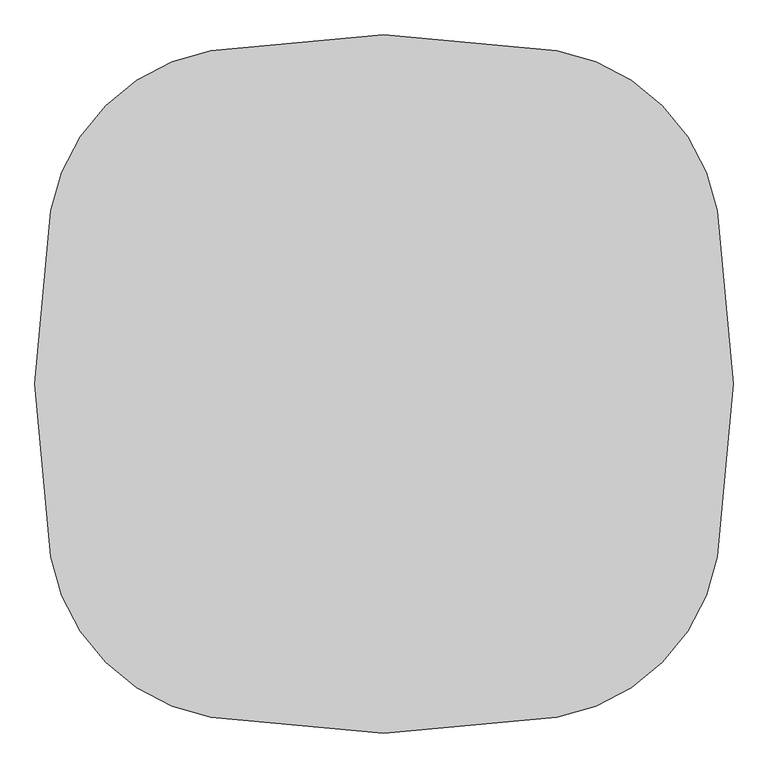
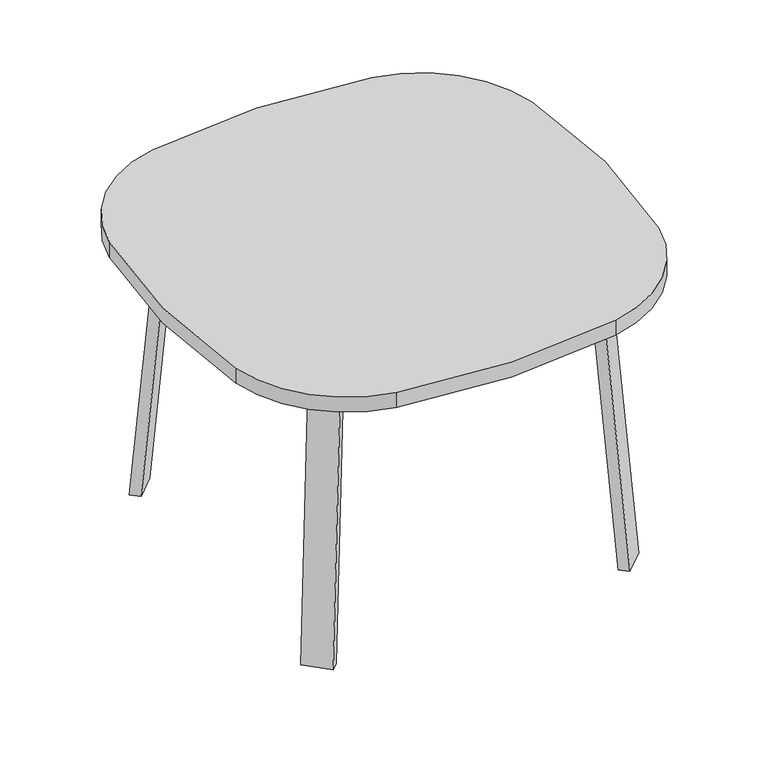
"""IFC4 building model written with IfcOpenShell, lengths in millimetres: furniture geometry."""

from ifc_helpers import new_model, si_unit, point, frame, frame_2d, origin, place, context, project, spatial, polyline, circle_curve, trimmed, segment, composite_curve, outline, extrude, faceted_brep, source, transform, mapped, element, save


def furniture_b9ae15ca(model_context):
    return source(origin(), model_context, "Body", "SolidModel", [
        extrude(outline(composite_curve([segment(trimmed(circle_curve(frame_2d((-939.8, 0.0)), 1473.2), [point((509.4926684, 264.327451))], [point((509.4926684, -264.327451))], False, "CARTESIAN"), True, "CONTINUOUS"), segment(trimmed(circle_curve(frame_2d((209.6390129, -209.6390129)), 304.8), [point((509.4926684, -264.327451))], [point((264.327451, -509.4926684))], False, "CARTESIAN"), True, "CONTINUOUS"), segment(trimmed(circle_curve(frame_2d((0.0, 939.8)), 1473.2), [point((264.327451, -509.4926684))], [point((-264.327451, -509.4926684))], False, "CARTESIAN"), True, "CONTINUOUS"), segment(trimmed(circle_curve(frame_2d((-209.6390129, -209.6390129)), 304.8), [point((-264.327451, -509.4926684))], [point((-509.4926684, -264.327451))], False, "CARTESIAN"), True, "CONTINUOUS"), segment(trimmed(circle_curve(frame_2d((939.8, 0.0)), 1473.2), [point((-509.4926684, -264.327451))], [point((-509.4926684, 264.327451))], False, "CARTESIAN"), True, "CONTINUOUS"), segment(trimmed(circle_curve(frame_2d((-209.6390129, 209.6390129)), 304.8), [point((-509.4926684, 264.327451))], [point((-264.327451, 509.4926684))], False, "CARTESIAN"), True, "CONTINUOUS"), segment(trimmed(circle_curve(frame_2d((0.0, -939.8)), 1473.2), [point((-264.327451, 509.4926684))], [point((264.327451, 509.4926684))], False, "CARTESIAN"), True, "CONTINUOUS"), segment(trimmed(circle_curve(frame_2d((209.6390129, 209.6390129)), 304.8), [point((264.327451, 509.4926684))], [point((509.4926684, 264.327451))], False, "CARTESIAN"), True, "CONTINUOUS")], self_intersect=False)), frame((0.0, 0.0, 698.5), z_axis=(0.0, 0.0, 1.0), x_axis=(1.0, 0.0, 0.0)), (0.0, 0.0, 1.0), 38.1),
        faceted_brep([(176.7573355, -301.7740831, 695.325), (216.2704624, -262.2609562, 695.325), (271.3867843, -317.3772782, 695.325), (264.7451366, -324.0189259, 695.325), (203.6981038, -328.7148515, 695.325), (324.0189259, -264.7451366, 695.325), (318.0841162, -270.6799463, 695.325), (262.9677942, -215.5636244, 695.325), (302.4809212, -176.0504974, 695.325), (329.4216895, -202.9912658, 695.325), (176.7573355, -301.7740831, 698.5), (203.6981038, -328.7148515, 698.5), (264.7451366, -324.0189259, 698.5), (324.0189259, -264.7451366, 698.5), (329.4216895, -202.9912658, 698.5), (302.4809212, -176.0504974, 698.5), (271.3867843, -317.3772782, 673.1), (318.0841162, -270.6799463, 673.1), (226.4855037, -272.4759975, 673.1), (273.1828356, -225.7786657, 673.1)], [[[0, 1, 2, 3, 4]], [[5, 6, 7, 8, 9]], [[10, 11, 12, 13, 14, 15]], [[4, 11, 10, 0]], [[3, 12, 11, 4]], [[12, 3, 2, 16, 17, 6, 5, 13]], [[9, 14, 13, 5]], [[8, 15, 14, 9]], [[15, 8, 7, 1, 0, 10]], [[2, 1, 18, 16]], [[7, 6, 17, 19]], [[18, 19, 17, 16]], [[1, 7, 19, 18]]]),
        extrude(outline(composite_curve([segment(polyline([(-698.9257667, 0.0), (-704.4601563, 63.2583633), (-679.156811, 65.4721192), (-677.172355, 42.7896831)]), True, "CONTINUOUS"), segment(trimmed(circle_curve(frame_2d((-658.194846, 44.45)), 19.05), [point((-677.172355, 42.7896831))], [point((-658.194846, 25.4))], True, "CARTESIAN"), True, "CONTINUOUS"), segment(polyline([(-658.194846, 25.4), (0.0201778, 25.4), (2.2423899, 0.0), (-698.9257667, 0.0)]), True, "CONTINUOUS")], self_intersect=False)), frame((357.6612959, -407.0527046, 2.2338569), z_axis=(0.7071067811865512, 0.707106781186544, 0.0), x_axis=(0.06162841671622733, -0.06162841671621349, -0.9961946980917454)), (0.0, 0.0, 1.0), 69.85),
        faceted_brep([(176.7573355, 301.7740831, 695.325), (203.6981038, 328.7148515, 695.325), (264.7451366, 324.0189259, 695.325), (271.3867843, 317.3772782, 695.325), (216.2704624, 262.2609562, 695.325), (324.0189259, 264.7451366, 695.325), (329.4216895, 202.9912658, 695.325), (302.4809212, 176.0504974, 695.325), (262.9677942, 215.5636244, 695.325), (318.0841162, 270.6799463, 695.325), (176.7573355, 301.7740831, 698.5), (302.4809212, 176.0504974, 698.5), (329.4216895, 202.9912658, 698.5), (324.0189259, 264.7451366, 698.5), (264.7451366, 324.0189259, 698.5), (203.6981038, 328.7148515, 698.5), (318.0841162, 270.6799463, 673.1), (271.3867843, 317.3772782, 673.1), (226.4855037, 272.4759975, 673.1), (273.1828356, 225.7786657, 673.1)], [[[0, 1, 2, 3, 4]], [[5, 6, 7, 8, 9]], [[10, 11, 12, 13, 14, 15]], [[1, 0, 10, 15]], [[2, 1, 15, 14]], [[14, 13, 5, 9, 16, 17, 3, 2]], [[6, 5, 13, 12]], [[7, 6, 12, 11]], [[11, 10, 0, 4, 8, 7]], [[3, 17, 18, 4]], [[8, 19, 16, 9]], [[18, 17, 16, 19]], [[4, 18, 19, 8]]]),
        extrude(outline(composite_curve([segment(polyline([(698.9257667, 0.0), (704.4601563, -63.2583633), (679.156811, -65.4721192), (677.172355, -42.7896831)]), True, "CONTINUOUS"), segment(trimmed(circle_curve(frame_2d((658.194846, -44.45)), 19.05), [point((677.172355, -42.7896831))], [point((658.194846, -25.4))], True, "CARTESIAN"), True, "CONTINUOUS"), segment(polyline([(658.194846, -25.4), (-0.0201778, -25.4), (-2.2423899, 0.0), (698.9257667, 0.0)]), True, "CONTINUOUS")], self_intersect=False)), frame((407.0527046, 357.6612959, 2.2338569), z_axis=(-0.7071067811865512, 0.707106781186544, 0.0), x_axis=(-0.06162841671622733, -0.06162841671621349, 0.9961946980917454)), (0.0, 0.0, 1.0), 69.85),
        faceted_brep([(-176.7573355, 301.7740831, 695.325), (-216.2704624, 262.2609562, 695.325), (-271.3867843, 317.3772782, 695.325), (-264.7451366, 324.0189259, 695.325), (-203.6981038, 328.7148515, 695.325), (-324.0189259, 264.7451366, 695.325), (-318.0841162, 270.6799463, 695.325), (-262.9677942, 215.5636244, 695.325), (-302.4809212, 176.0504974, 695.325), (-329.4216895, 202.9912658, 695.325), (-176.7573355, 301.7740831, 698.5), (-203.6981038, 328.7148515, 698.5), (-264.7451366, 324.0189259, 698.5), (-324.0189259, 264.7451366, 698.5), (-329.4216895, 202.9912658, 698.5), (-302.4809212, 176.0504974, 698.5), (-271.3867843, 317.3772782, 673.1), (-318.0841162, 270.6799463, 673.1), (-226.4855037, 272.4759975, 673.1), (-273.1828356, 225.7786657, 673.1)], [[[0, 1, 2, 3, 4]], [[5, 6, 7, 8, 9]], [[10, 11, 12, 13, 14, 15]], [[4, 11, 10, 0]], [[3, 12, 11, 4]], [[12, 3, 2, 16, 17, 6, 5, 13]], [[9, 14, 13, 5]], [[8, 15, 14, 9]], [[15, 8, 7, 1, 0, 10]], [[2, 1, 18, 16]], [[7, 6, 17, 19]], [[18, 19, 17, 16]], [[1, 7, 19, 18]]]),
        extrude(outline(composite_curve([segment(polyline([(698.9257667, 0.0), (-2.2423899, 0.0), (-0.0201778, 25.4), (658.194846, 25.4)]), True, "CONTINUOUS"), segment(trimmed(circle_curve(frame_2d((658.194846, 44.45)), 19.05), [point((658.194846, 25.4))], [point((677.172355, 42.7896831))], True, "CARTESIAN"), True, "CONTINUOUS"), segment(polyline([(677.172355, 42.7896831), (679.156811, 65.4721192), (704.4601563, 63.2583633), (698.9257667, 0.0)]), True, "CONTINUOUS")], self_intersect=False)), frame((-407.0527046, 357.6612959, 2.2338569), z_axis=(0.7071067811865512, 0.707106781186544, 0.0), x_axis=(0.06162841671622733, -0.06162841671621349, 0.9961946980917454)), (0.0, 0.0, 1.0), 69.85),
        faceted_brep([(-176.7573355, -301.7740831, 695.325), (-203.6981038, -328.7148515, 695.325), (-264.7451366, -324.0189259, 695.325), (-271.3867843, -317.3772782, 695.325), (-216.2704624, -262.2609562, 695.325), (-324.0189259, -264.7451366, 695.325), (-329.4216895, -202.9912658, 695.325), (-302.4809212, -176.0504974, 695.325), (-262.9677942, -215.5636244, 695.325), (-318.0841162, -270.6799463, 695.325), (-176.7573355, -301.7740831, 698.5), (-302.4809212, -176.0504974, 698.5), (-329.4216895, -202.9912658, 698.5), (-324.0189259, -264.7451366, 698.5), (-264.7451366, -324.0189259, 698.5), (-203.6981038, -328.7148515, 698.5), (-318.0841162, -270.6799463, 673.1), (-271.3867843, -317.3772782, 673.1), (-226.4855037, -272.4759975, 673.1), (-273.1828356, -225.7786657, 673.1)], [[[0, 1, 2, 3, 4]], [[5, 6, 7, 8, 9]], [[10, 11, 12, 13, 14, 15]], [[1, 0, 10, 15]], [[2, 1, 15, 14]], [[14, 13, 5, 9, 16, 17, 3, 2]], [[6, 5, 13, 12]], [[7, 6, 12, 11]], [[11, 10, 0, 4, 8, 7]], [[3, 17, 18, 4]], [[8, 19, 16, 9]], [[18, 17, 16, 19]], [[4, 18, 19, 8]]]),
        extrude(outline(composite_curve([segment(polyline([(-698.9257667, 0.0), (2.2423899, 0.0), (0.0201778, -25.4), (-658.194846, -25.4)]), True, "CONTINUOUS"), segment(trimmed(circle_curve(frame_2d((-658.194846, -44.45)), 19.05), [point((-658.194846, -25.4))], [point((-677.172355, -42.7896831))], True, "CARTESIAN"), True, "CONTINUOUS"), segment(polyline([(-677.172355, -42.7896831), (-679.156811, -65.4721192), (-704.4601563, -63.2583633), (-698.9257667, 0.0)]), True, "CONTINUOUS")], self_intersect=False)), frame((-357.6612959, -407.0527046, 2.2338569), z_axis=(-0.7071067811865512, 0.707106781186544, 0.0), x_axis=(-0.06162841671622733, -0.06162841671621349, -0.9961946980917454)), (0.0, 0.0, 1.0), 69.85),
    ])


if __name__ == "__main__":
    model = new_model("IFC4")
    model_context = context("Model", 3, world=origin())
    ifc_project = project(units=[si_unit("LENGTHUNIT", "METRE", prefix="MILLI")], contexts=[model_context])
    site = spatial("IfcSite", under=ifc_project)
    building = spatial("IfcBuilding", under=site)
    placement = place(None, origin())
    furniture_shape = furniture_b9ae15ca(model_context)
    element("IfcFurniture", 1, at=placement, inside=building, context=model_context, shape_type="MappedRepresentation", body=[
        mapped(furniture_shape, transform((0.0, 0.0, 0.0), x_axis=(1.0, 0.0, 0.0), y_axis=(0.0, 1.0, 0.0), z_axis=(0.0, 0.0, 1.0))),
    ])
    save(model, "model.ifc")
